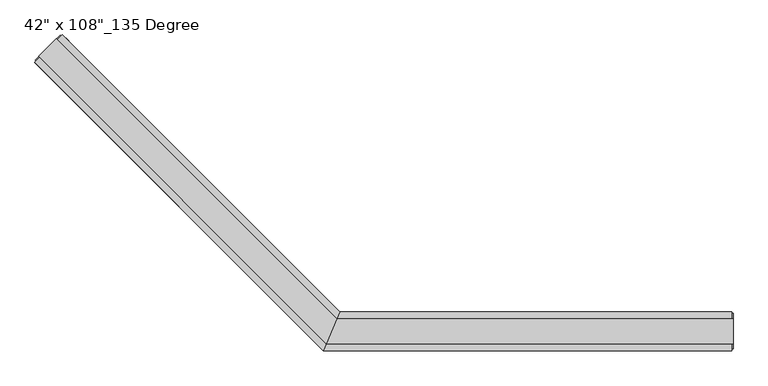
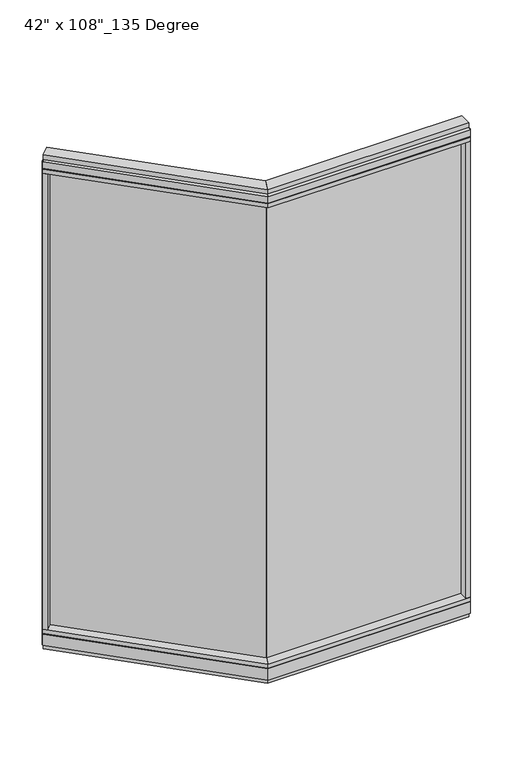
"""IFC4 building model written with IfcOpenShell, lengths in millimetres: furniture geometry."""

from ifc_helpers import new_model, si_unit, frame, origin, origin_with_axes, place, context, project, spatial, polyline, outline, extrude, faceted_brep, source, transform, mapped, element, save


def furniture_84b8d159(model_context):
    return source(origin(), model_context, "Body", "SolidModel", [
        extrude(outline(polyline([(-1296.9497875, 712.853387), (-1289.7655826, 720.0375919), (-567.3937802, -2.3342105), (-574.5779851, -9.5184154), (-1296.9497875, 712.853387)])), frame((0.0, 0.0, 120.523), z_axis=(0.0, 0.0, 1.0), x_axis=(1.0, 0.0, 0.0)), (0.0, 0.0, 1.0), 2533.777),
        extrude(outline(polyline([(-1273.1521087, 768.0819621), (-551.352425, 46.2822784), (-593.4365229, -55.3177216), (-1344.9941577, 696.2399131), (-1273.1521087, 768.0819621)])), frame((0.0, 0.0, 2654.3), z_axis=(0.0, 0.0, 1.0), x_axis=(1.0, 0.0, 0.0)), (0.0, 0.0, 1.0), 22.225),
        faceted_brep([(-551.352425, 46.2822784, 2681.478), (-551.352425, 46.2822784, 2717.8), (-593.4365229, -55.3177216, 2717.8), (-593.4365229, -55.3177216, 2681.478), (-591.3849232, -50.3647216, 2681.478), (-591.3849232, -50.3647216, 2676.525), (-553.4040248, 41.3292784, 2676.525), (-553.4040248, 41.3292784, 2681.478), (-1273.1521087, 768.0819621, 2681.478), (-1276.6544086, 764.5796622, 2681.478), (-1276.6544086, 764.5796622, 2676.525), (-1341.4918578, 699.742213, 2676.525), (-1341.4918578, 699.742213, 2681.478), (-1344.9941577, 696.2399131, 2681.478), (-1344.9941577, 696.2399131, 2717.8), (-1273.1521087, 768.0819621, 2717.8)], [[[0, 1, 2, 3, 4, 5, 6, 7]], [[8, 9, 10, 11, 12, 13, 14, 15]], [[8, 0, 7, 9]], [[13, 3, 2, 14]], [[14, 2, 1, 15]], [[15, 1, 0, 8]], [[9, 7, 6, 10]], [[10, 6, 5, 11]], [[11, 5, 4, 12]], [[12, 4, 3, 13]]]),
        extrude(outline(polyline([(-1288.867557, 757.9342727), (-558.9275626, 27.9942784), (-585.8613853, -37.0297216), (-1334.8464683, 711.9553614), (-1288.867557, 757.9342727)])), frame((0.0, 0.0, 2717.8), z_axis=(0.0, 0.0, 1.0), x_axis=(1.0, 0.0, 0.0)), (0.0, 0.0, 1.0), 25.4),
        faceted_brep([(-553.4040248, 41.3292784, 93.345), (-553.4040248, 41.3292784, 98.298), (-591.3849232, -50.3647216, 98.298), (-591.3849232, -50.3647216, 93.345), (-593.4365229, -55.3177216, 93.345), (-593.4365229, -55.3177216, 31.75), (-551.352425, 46.2822784, 31.75), (-551.352425, 46.2822784, 93.345), (-1273.1521087, 768.0819621, 93.345), (-1273.1521087, 768.0819621, 31.75), (-1344.9941577, 696.2399131, 31.75), (-1344.9941577, 696.2399131, 93.345), (-1341.4918578, 699.742213, 93.345), (-1341.4918578, 699.742213, 98.298), (-1276.6544086, 764.5796622, 98.298), (-1276.6544086, 764.5796622, 93.345)], [[[0, 1, 2, 3, 4, 5, 6, 7]], [[8, 9, 10, 11, 12, 13, 14, 15]], [[15, 0, 7, 8]], [[10, 5, 4, 11]], [[9, 6, 5, 10]], [[8, 7, 6, 9]], [[14, 1, 0, 15]], [[13, 2, 1, 14]], [[12, 3, 2, 13]], [[11, 4, 3, 12]]]),
        extrude(outline(polyline([(-1273.1521087, 768.0819621), (-551.352425, 46.2822784), (-593.4365229, -55.3177216), (-1344.9941577, 696.2399131), (-1273.1521087, 768.0819621)])), frame((0.0, 0.0, 98.298), z_axis=(0.0, 0.0, 1.0), x_axis=(1.0, 0.0, 0.0)), (0.0, 0.0, 1.0), 22.225),
        extrude(outline(polyline([(-1288.867557, 757.9342727), (-558.9275626, 27.9942784), (-585.8613853, -37.0297216), (-1334.8464683, 711.9553614), (-1288.867557, 757.9342727)])), origin_with_axes(), (0.0, 0.0, 1.0), 31.75),
        extrude(outline(polyline([(-1329.2787095, 680.5244649), (-1344.9941577, 696.2399131), (-1273.1521087, 768.0819621), (-1257.4366605, 752.3665139), (-1329.2787095, 680.5244649)])), frame((0.0, 0.0, 120.523), z_axis=(0.0, 0.0, 1.0), x_axis=(1.0, 0.0, 0.0)), (0.0, 0.0, 1.0), 2533.777),
        extrude(outline(polyline([(-1344.2757372, 702.5260924), (-1279.438288, 767.3635416), (-1276.6544086, 764.5796622), (-1341.4918578, 699.742213), (-1344.2757372, 702.5260924)])), frame((0.0, 0.0, 31.75), z_axis=(0.0, 0.0, 1.0), x_axis=(1.0, 0.0, 0.0)), (0.0, 0.0, 1.0), 2686.05),
        extrude(outline(polyline([(447.2014771, -9.5977216), (-574.3865229, -9.5977216), (-574.3865229, 0.5622784), (447.2014771, 0.5622784), (447.2014771, -9.5977216)])), frame((0.0, 0.0, 120.523), z_axis=(0.0, 0.0, 1.0), x_axis=(1.0, 0.0, 0.0)), (0.0, 0.0, 1.0), 2533.777),
        extrude(outline(polyline([(469.4264771, 46.2822784), (469.4264771, -55.3177216), (-593.4365229, -55.3177216), (-551.352425, 46.2822784), (469.4264771, 46.2822784)])), frame((0.0, 0.0, 2654.3), z_axis=(0.0, 0.0, 1.0), x_axis=(1.0, 0.0, 0.0)), (0.0, 0.0, 1.0), 22.225),
        faceted_brep([(-551.352425, 46.2822784, 2681.478), (-553.4040248, 41.3292784, 2681.478), (-553.4040248, 41.3292784, 2676.525), (-591.3849232, -50.3647216, 2676.525), (-591.3849232, -50.3647216, 2681.478), (-593.4365229, -55.3177216, 2681.478), (-593.4365229, -55.3177216, 2717.8), (-551.352425, 46.2822784, 2717.8), (469.4264771, 46.2822784, 2681.478), (469.4264771, 46.2822784, 2717.8), (469.4264771, -55.3177216, 2717.8), (469.4264771, -55.3177216, 2681.478), (469.4264771, -50.3647216, 2681.478), (469.4264771, -50.3647216, 2676.525), (469.4264771, 41.3292784, 2676.525), (469.4264771, 41.3292784, 2681.478)], [[[0, 1, 2, 3, 4, 5, 6, 7]], [[8, 9, 10, 11, 12, 13, 14, 15]], [[8, 15, 1, 0]], [[11, 10, 6, 5]], [[10, 9, 7, 6]], [[9, 8, 0, 7]], [[15, 14, 2, 1]], [[14, 13, 3, 2]], [[13, 12, 4, 3]], [[12, 11, 5, 4]]]),
        extrude(outline(polyline([(473.3634771, 27.9942784), (473.3634771, -37.0297216), (-585.8613853, -37.0297216), (-558.9275626, 27.9942784), (473.3634771, 27.9942784)])), frame((0.0, 0.0, 2717.8), z_axis=(0.0, 0.0, 1.0), x_axis=(1.0, 0.0, 0.0)), (0.0, 0.0, 1.0), 25.4),
        faceted_brep([(-553.4040248, 41.3292784, 93.345), (-551.352425, 46.2822784, 93.345), (-551.352425, 46.2822784, 31.75), (-593.4365229, -55.3177216, 31.75), (-593.4365229, -55.3177216, 93.345), (-591.3849232, -50.3647216, 93.345), (-591.3849232, -50.3647216, 98.298), (-553.4040248, 41.3292784, 98.298), (469.4264771, 46.2822784, 93.345), (469.4264771, 41.3292784, 93.345), (469.4264771, 41.3292784, 98.298), (469.4264771, -50.3647216, 98.298), (469.4264771, -50.3647216, 93.345), (469.4264771, -55.3177216, 93.345), (469.4264771, -55.3177216, 31.75), (469.4264771, 46.2822784, 31.75)], [[[0, 1, 2, 3, 4, 5, 6, 7]], [[8, 9, 10, 11, 12, 13, 14, 15]], [[9, 8, 1, 0]], [[14, 13, 4, 3]], [[15, 14, 3, 2]], [[8, 15, 2, 1]], [[10, 9, 0, 7]], [[11, 10, 7, 6]], [[12, 11, 6, 5]], [[13, 12, 5, 4]]]),
        extrude(outline(polyline([(469.4264771, 46.2822784), (469.4264771, -55.3177216), (-593.4365229, -55.3177216), (-551.352425, 46.2822784), (469.4264771, 46.2822784)])), frame((0.0, 0.0, 98.298), z_axis=(0.0, 0.0, 1.0), x_axis=(1.0, 0.0, 0.0)), (0.0, 0.0, 1.0), 22.225),
        extrude(outline(polyline([(473.3634771, 27.9942784), (473.3634771, -37.0297216), (-585.8613853, -37.0297216), (-558.9275626, 27.9942784), (473.3634771, 27.9942784)])), origin_with_axes(), (0.0, 0.0, 1.0), 31.75),
        extrude(outline(polyline([(447.2014771, -55.3177216), (447.2014771, 46.2822784), (469.4264771, 46.2822784), (469.4264771, -55.3177216), (447.2014771, -55.3177216)])), frame((0.0, 0.0, 120.523), z_axis=(0.0, 0.0, 1.0), x_axis=(1.0, 0.0, 0.0)), (0.0, 0.0, 1.0), 2533.777),
        extrude(outline(polyline([(473.3634771, -50.3647216), (469.4264771, -50.3647216), (469.4264771, 41.3292784), (473.3634771, 41.3292784), (473.3634771, -50.3647216)])), frame((0.0, 0.0, 31.75), z_axis=(0.0, 0.0, 1.0), x_axis=(1.0, 0.0, 0.0)), (0.0, 0.0, 1.0), 2686.05),
    ])


if __name__ == "__main__":
    model = new_model("IFC4")
    model_context = context("Model", 3, world=origin())
    ifc_project = project(units=[si_unit("LENGTHUNIT", "METRE", prefix="MILLI")], contexts=[model_context])
    site = spatial("IfcSite", under=ifc_project)
    building = spatial("IfcBuilding", under=site)
    placement = place(None, origin())
    furniture_shape = furniture_84b8d159(model_context)
    element("IfcFurniture", 1, ObjectType="42\" x 108\"_135 Degree", at=placement, inside=building, context=model_context, shape_type="MappedRepresentation", body=[
        mapped(furniture_shape, transform((0.0, 0.0, 0.0), x_axis=(1.0, 0.0, 0.0), y_axis=(0.0, 1.0, 0.0), z_axis=(0.0, 0.0, 1.0))),
    ])
    save(model, "model.ifc")
